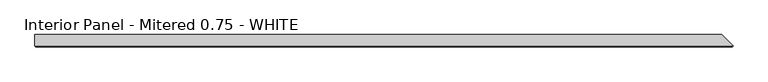
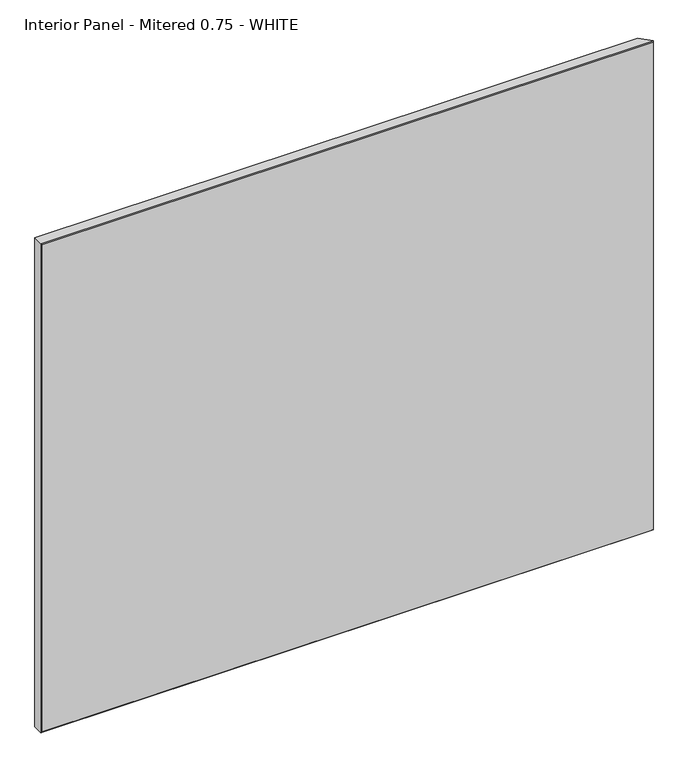
"""IFC4 building model written with IfcOpenShell, lengths in millimetres: proxy geometry, Interior Panel - Mitered 0.75 - WHITE."""

from ifc_helpers import new_model, si_unit, origin, place, context, project, spatial, faceted_brep, source, transform, mapped, element, save


def interior_panel_mitered_0_75_white_77db970e(model_context):
    return source(origin(), model_context, "Body", "Brep", [
        faceted_brep([(993.378125, 3.175, 914.4), (-73.025, 3.175, 914.4), (-73.025, -14.2875, 914.4), (1010.840625, -14.2875, 914.4), (993.378125, 3.175, 0.0), (1010.840625, -14.2875, 0.0), (-73.025, -14.2875, 0.0), (-73.025, 3.175, 0.0), (-71.4375, -15.875, 912.8125), (-71.4375, -15.875, 1.5875), (1009.253125, -15.875, 1.5875), (1009.253125, -15.875, 912.8125)], [[[0, 1, 2, 3]], [[4, 5, 6, 7]], [[1, 0, 4, 7]], [[2, 1, 7, 6]], [[8, 9, 10, 11]], [[2, 6, 9, 8]], [[3, 2, 8, 11]], [[6, 5, 10, 9]], [[0, 3, 5, 4]], [[5, 3, 11, 10]]]),
    ])


if __name__ == "__main__":
    model = new_model("IFC4")
    model_context = context("Model", 3, world=origin())
    ifc_project = project(units=[si_unit("LENGTHUNIT", "METRE", prefix="MILLI")], contexts=[model_context])
    site = spatial("IfcSite", under=ifc_project)
    building = spatial("IfcBuilding", under=site)
    placement = place(None, origin())
    interior_panel_mitered_0_75_white_shape = interior_panel_mitered_0_75_white_77db970e(model_context)
    element("IfcBuildingElementProxy", 1, Name="Interior Panel - Mitered 0.75 - WHITE", ObjectType="Interior Panel - Mitered 0.75 - WHITE", at=placement, inside=building, context=model_context, shape_type="MappedRepresentation", body=[
        mapped(interior_panel_mitered_0_75_white_shape, transform((0.0, 0.0, 0.0), x_axis=(1.0, 0.0, 0.0), y_axis=(0.0, 1.0, 0.0), z_axis=(0.0, 0.0, 1.0))),
    ])
    save(model, "model.ifc")
